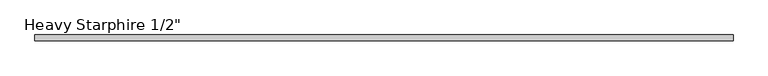
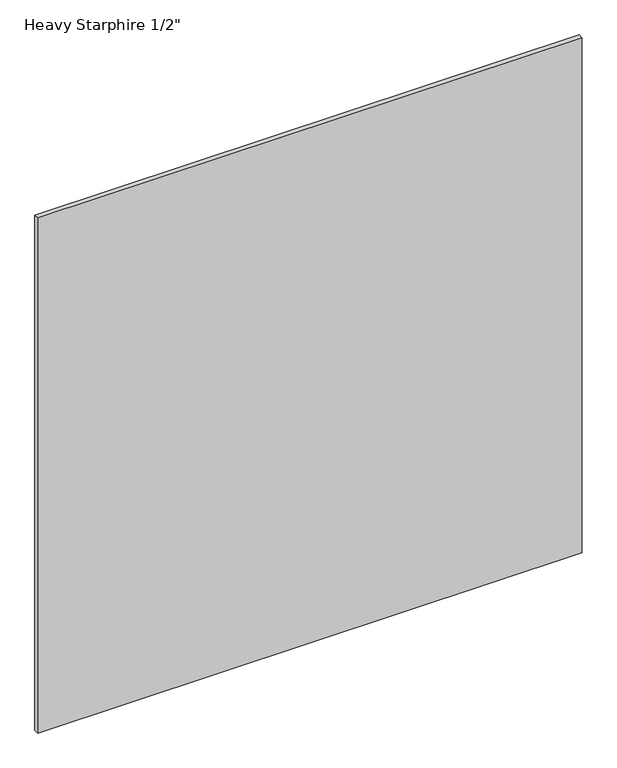
"""IFC4 building model written with IfcOpenShell, lengths in millimetres: plate geometry."""

from ifc_helpers import new_model, si_unit, origin, origin_with_axes, place, context, project, spatial, polyline, outline, extrude, source, transform, mapped, element, save


def plate_e7c2f21e(model_context):
    return source(origin(), model_context, "Body", "SweptSolid", [
        extrude(outline(polyline([(762.0, 6.35), (762.0, -6.35), (-762.0, -6.35), (-762.0, 6.35), (762.0, 6.35)])), origin_with_axes(), (0.0, 0.0, 1.0), 1524.0),
    ])


if __name__ == "__main__":
    model = new_model("IFC4")
    model_context = context("Model", 3, world=origin())
    ifc_project = project(units=[si_unit("LENGTHUNIT", "METRE", prefix="MILLI")], contexts=[model_context])
    site = spatial("IfcSite", under=ifc_project)
    building = spatial("IfcBuilding", under=site)
    placement = place(None, origin())
    plate_shape = plate_e7c2f21e(model_context)
    element("IfcPlate", 1, ObjectType="Heavy Starphire 1/2\"", at=placement, inside=building, context=model_context, shape_type="MappedRepresentation", body=[
        mapped(plate_shape, transform((0.0, 0.0, 0.0), x_axis=(1.0, 0.0, 0.0), y_axis=(0.0, 1.0, 0.0), z_axis=(0.0, 0.0, 1.0))),
    ])
    save(model, "model.ifc")
